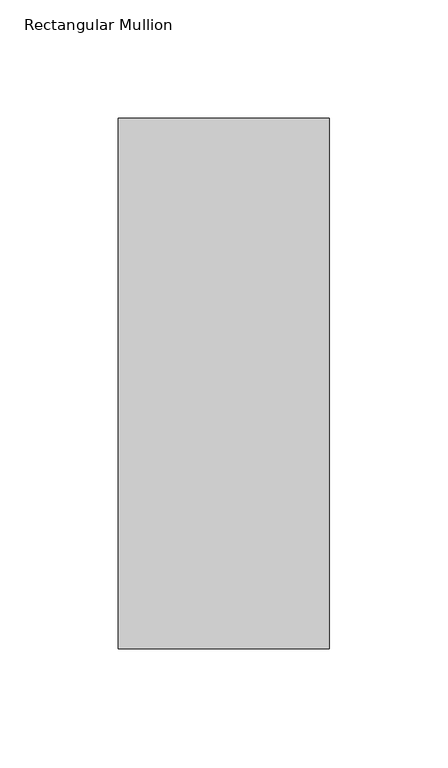
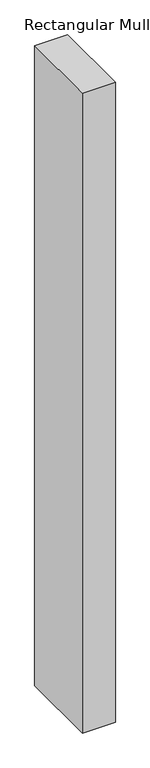
"""IFC4 building model written with IfcOpenShell, lengths in millimetres: member geometry, Rectangular Mullion."""

import ifcopenshell
import ifcopenshell.guid

model = None  # the IFC model being written
_history = None  # IfcOwnerHistory: only IFC2X3 demands one
_inside = {}  # id of a spatial element -> (the spatial element, [elements in it])
_under = {}  # id of a project, library or spatial element -> (it, [spatial elements below it])
_declared = {}  # id of a project -> (the project, [libraries it declares])
_typed = {}  # id of a type object -> (the type object, [elements of that type])
_made_of = {}  # id of a material, layer set ... -> (it, [elements and type objects made of it])


def new_model(schema):
    """Start an empty IFC model of exactly this schema.

    Asked for "IFC4X3", IfcOpenShell would pick the latest addendum, in which some entities
    have other attributes; the version numbers below select the first issue.
    IFC2X3 requires an IfcOwnerHistory on every rooted entity: one is made here for all.
    """
    global model, _history
    if schema == "IFC4X3":
        model = ifcopenshell.file(schema_version=(4, 3, 0, 0))
    else:
        model = ifcopenshell.file(schema=schema)
    _inside.clear()
    _under.clear()
    _declared.clear()
    _typed.clear()
    _made_of.clear()
    _history = None
    if model.schema == "IFC2X3":
        org = make("IfcOrganization", Name="unknown")
        user = make(
            "IfcPersonAndOrganization",
            ThePerson=make("IfcPerson", FamilyName="unknown"),
            TheOrganization=org,
        )
        app = make(
            "IfcApplication",
            ApplicationDeveloper=org,
            Version="unknown",
            ApplicationFullName="unknown",
            ApplicationIdentifier="unknown",
        )
        _history = make(
            "IfcOwnerHistory",
            OwningUser=user,
            OwningApplication=app,
            ChangeAction="ADDED",
            CreationDate=0,
        )
    return model


def make(cls, **values):
    """One entity of the class cls with the attributes given. An attribute that is None is left unset."""
    return model.create_entity(
        cls, **{name: value for name, value in values.items() if value is not None}
    )


def rooted(cls, **values):
    """An entity with a GlobalId (a new one), such as an element, a storey or a relation."""
    return make(cls, GlobalId=ifcopenshell.guid.new(), OwnerHistory=_history, **values)


def si_unit(unit_type, name, prefix=None):
    """IfcSIUnit, for example si_unit("LENGTHUNIT", "METRE", prefix="MILLI")."""
    return make("IfcSIUnit", UnitType=unit_type, Prefix=prefix, Name=name)


def assignment(units):
    """IfcUnitAssignment: the units of a project."""
    return None if units is None else make("IfcUnitAssignment", Units=units)


def point(xyz):
    """IfcCartesianPoint."""
    return None if xyz is None else make("IfcCartesianPoint", Coordinates=xyz)


def direction(xyz):
    """IfcDirection."""
    return None if xyz is None else make("IfcDirection", DirectionRatios=xyz)


def frame(location, z_axis=None, x_axis=None):
    """IfcAxis2Placement3D, a coordinate frame: its origin and axes. An axis left out is left unset."""
    return make(
        "IfcAxis2Placement3D",
        Location=point(location),
        Axis=direction(z_axis),
        RefDirection=direction(x_axis),
    )


def origin():
    """The frame at (0, 0, 0) with its axes left unset."""
    return frame((0.0, 0.0, 0.0))


def place(relative_to, where):
    """IfcLocalPlacement: puts the frame where relative to a parent placement (None: the world)."""
    return make(
        "IfcLocalPlacement", PlacementRelTo=relative_to, RelativePlacement=where
    )


def context(
    kind, dimensions, precision=None, world=None, true_north=None, identifier=None
):
    """IfcGeometricRepresentationContext, for example the 3D "Model" context."""
    return make(
        "IfcGeometricRepresentationContext",
        ContextIdentifier=identifier,
        ContextType=kind,
        CoordinateSpaceDimension=dimensions,
        Precision=precision,
        WorldCoordinateSystem=world,
        TrueNorth=true_north,
    )


def project(units=None, contexts=None):
    """IfcProject with its units and contexts."""
    return rooted(
        "IfcProject",
        Name="project",
        RepresentationContexts=contexts,
        UnitsInContext=assignment(units),
    )


def spatial(cls, under=None, at=None, **own):
    """A site, building, storey or space (cls), placed at a placement, below another one or the project."""
    s = rooted(cls, ObjectPlacement=at, **own)
    if under is not None:
        _under.setdefault(under.id(), (under, []))[1].append(s)
    return s


def polyline(points):
    """IfcPolyline through the points."""
    return make("IfcPolyline", Points=[point(p) for p in points])


def outline(outer, holes=None, kind="AREA"):
    """IfcArbitraryClosedProfileDef: a profile drawn as a closed curve; with holes, ...WithVoids."""
    if holes is None:
        return make("IfcArbitraryClosedProfileDef", ProfileType=kind, OuterCurve=outer)
    return make(
        "IfcArbitraryProfileDefWithVoids",
        ProfileType=kind,
        OuterCurve=outer,
        InnerCurves=holes,
    )


def extrude(swept, where, along, depth):
    """IfcExtrudedAreaSolid: the profile swept, set in the frame where, extruded along a direction by depth."""
    return make(
        "IfcExtrudedAreaSolid",
        SweptArea=swept,
        Position=where,
        ExtrudedDirection=direction(along),
        Depth=depth,
    )


def shape(context_of_items, identifier, shape_type, items):
    """IfcShapeRepresentation: the items that make up one representation, for example the "Body"."""
    return make(
        "IfcShapeRepresentation",
        ContextOfItems=context_of_items,
        RepresentationIdentifier=identifier,
        RepresentationType=shape_type,
        Items=items,
    )


def source(mapping_origin, context_of_items, identifier, shape_type, items):
    """IfcRepresentationMap: a shape defined once, which mapped items show again and again."""
    return make(
        "IfcRepresentationMap",
        MappingOrigin=mapping_origin,
        MappedRepresentation=shape(context_of_items, identifier, shape_type, items),
    )


def transform(
    local_origin,
    x_axis=None,
    y_axis=None,
    z_axis=None,
    scale=None,
    scale2=None,
    scale3=None,
    uniform=True,
):
    """IfcCartesianTransformationOperator3D, or its non-uniform kind. x_axis, y_axis, z_axis: its Axis1, 2, 3."""
    if uniform:
        return make(
            "IfcCartesianTransformationOperator3D",
            Axis1=direction(x_axis),
            Axis2=direction(y_axis),
            LocalOrigin=point(local_origin),
            Scale=scale,
            Axis3=direction(z_axis),
        )
    return make(
        "IfcCartesianTransformationOperator3DnonUniform",
        Axis1=direction(x_axis),
        Axis2=direction(y_axis),
        LocalOrigin=point(local_origin),
        Scale=scale,
        Axis3=direction(z_axis),
        Scale2=scale2,
        Scale3=scale3,
    )


def mapped(mapping_source, mapping_target):
    """IfcMappedItem: shows the shape of a source again, moved by a transform."""
    return make(
        "IfcMappedItem", MappingSource=mapping_source, MappingTarget=mapping_target
    )


def made_of(thing, what):
    """Note that an element or type object is made of a material, layer set ...; save() writes the relation."""
    if what is not None:
        _made_of.setdefault(what.id(), (what, []))[1].append(thing)
    return thing


def element(
    cls,
    number,
    at=None,
    inside=None,
    cuts=None,
    type_object=None,
    material=None,
    context=None,
    identifier="Body",
    shape_type=None,
    held_by="IfcProductDefinitionShape",
    body=None,
    shapes=None,
    **own,
):
    """One element of the class cls, such as IfcWall. Its Tag is "e" and its number.

    at: its placement. inside: the storey or other place that contains it. cuts: it is an
    opening in that element (IfcRelVoidsElement). A single representation is given by context,
    identifier, shape_type and body (its items); several are given by shapes. held_by: the class
    of the entity that holds the representations. save() writes the other relations.
    """
    e = rooted(cls, Tag="e%d" % number, ObjectPlacement=at, **own)
    if body is not None:
        shapes = [shape(context, identifier, shape_type, body)]
    if shapes is not None:
        e.Representation = make(held_by, Representations=shapes)
    if inside is not None:
        _inside.setdefault(inside.id(), (inside, []))[1].append(e)
    if cuts is not None:
        rooted(
            "IfcRelVoidsElement", RelatingBuildingElement=cuts, RelatedOpeningElement=e
        )
    if type_object is not None:
        _typed.setdefault(type_object.id(), (type_object, []))[1].append(e)
    return made_of(e, material)


def aggregate(whole, parts):
    """IfcRelAggregates: a whole, such as a stair, and the parts it consists of."""
    return rooted("IfcRelAggregates", RelatingObject=whole, RelatedObjects=parts)


def save(model, path):
    """Write the relations noted so far, then the file.

    IfcRelAggregates (storeys below a building ...), IfcRelContainedInSpatialStructure (elements
    in a storey), IfcRelDefinesByType, IfcRelAssociatesMaterial and IfcRelDeclares: one each for
    every whole, place, type object, material and project.
    """
    for whole, parts in _under.values():
        aggregate(whole, parts)
    for where, things in _inside.values():
        rooted(
            "IfcRelContainedInSpatialStructure",
            RelatedElements=things,
            RelatingStructure=where,
        )
    for kind, things in _typed.values():
        rooted("IfcRelDefinesByType", RelatedObjects=things, RelatingType=kind)
    for what, things in _made_of.values():
        rooted("IfcRelAssociatesMaterial", RelatedObjects=things, RelatingMaterial=what)
    for by, libraries in _declared.values():
        rooted("IfcRelDeclares", RelatingContext=by, RelatedDefinitions=libraries)
    model.write(path)


def rectangular_mullion_a8d4958f(model_context):
    return source(origin(), model_context, "Body", "SweptSolid", [
        extrude(outline(polyline([(-88.9, 42.06875), (0.0, 42.06875), (0.0, -181.76875), (-88.9, -181.76875), (-88.9, 42.06875)])), frame((0.0, 0.0, -1828.8), z_axis=(0.0, 0.0, 1.0), x_axis=(1.0, 0.0, 0.0)), (0.0, 0.0, 1.0), 1828.8),
    ])


if __name__ == "__main__":
    model = new_model("IFC4")
    model_context = context("Model", 3, world=origin())
    ifc_project = project(units=[si_unit("LENGTHUNIT", "METRE", prefix="MILLI")], contexts=[model_context])
    site = spatial("IfcSite", under=ifc_project)
    building = spatial("IfcBuilding", under=site)
    placement = place(None, origin())
    rectangular_mullion_shape = rectangular_mullion_a8d4958f(model_context)
    element("IfcMember", 1, ObjectType="Rectangular Mullion", at=placement, inside=building, context=model_context, shape_type="MappedRepresentation", body=[
        mapped(rectangular_mullion_shape, transform((0.0, 0.0, 0.0), x_axis=(1.0, 0.0, 0.0), y_axis=(0.0, 1.0, 0.0), z_axis=(0.0, 0.0, 1.0))),
    ])
    save(model, "model.ifc")
